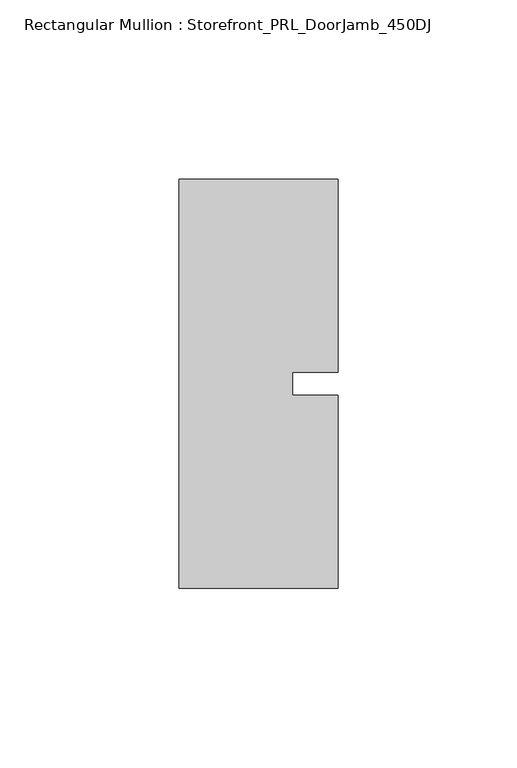
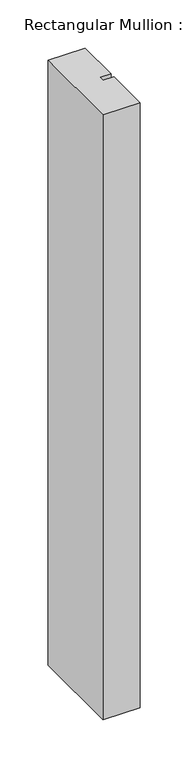
"""IFC4 building model written with IfcOpenShell, lengths in millimetres: member geometry, Rectangular Mullion : Storefront_PRL_DoorJamb_450DJ."""

from ifc_helpers import new_model, si_unit, frame, origin, place, context, project, spatial, polyline, outline, extrude, source, transform, mapped, element, save


def rectangular_mullion_storefront_prl_doorjamb_450dj_fed73877(model_context):
    return source(origin(), model_context, "Body", "SweptSolid", [
        extrude(outline(polyline([(9.525, -3.175), (22.225, -3.175), (22.225, -57.15), (-22.225, -57.15), (-22.225, 57.15), (22.225, 57.15), (22.225, 3.175), (9.525, 3.175), (9.525, -3.175)])), frame((0.0, 0.0, -768.35), z_axis=(0.0, 0.0, 1.0), x_axis=(1.0, 0.0, 0.0)), (0.0, 0.0, 1.0), 768.35),
    ])


if __name__ == "__main__":
    model = new_model("IFC4")
    model_context = context("Model", 3, world=origin())
    ifc_project = project(units=[si_unit("LENGTHUNIT", "METRE", prefix="MILLI")], contexts=[model_context])
    site = spatial("IfcSite", under=ifc_project)
    building = spatial("IfcBuilding", under=site)
    placement = place(None, origin())
    rectangular_mullion_storefront_prl_doorjamb_450dj_shape = rectangular_mullion_storefront_prl_doorjamb_450dj_fed73877(model_context)
    element("IfcMember", 1, ObjectType="Rectangular Mullion : Storefront_PRL_DoorJamb_450DJ", at=placement, inside=building, context=model_context, shape_type="MappedRepresentation", body=[
        mapped(rectangular_mullion_storefront_prl_doorjamb_450dj_shape, transform((0.0, 0.0, 0.0), x_axis=(1.0, 0.0, 0.0), y_axis=(0.0, 1.0, 0.0), z_axis=(0.0, 0.0, 1.0))),
    ])
    save(model, "model.ifc")
